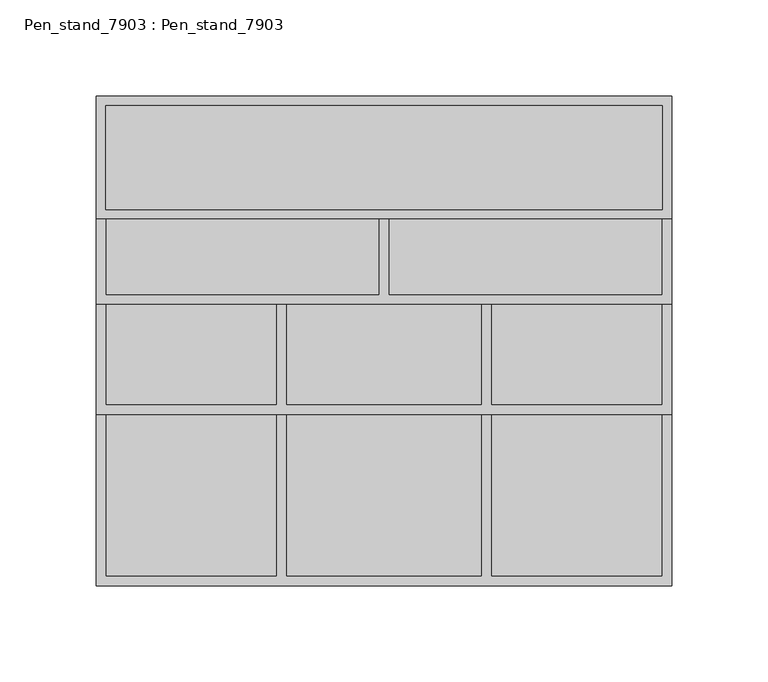
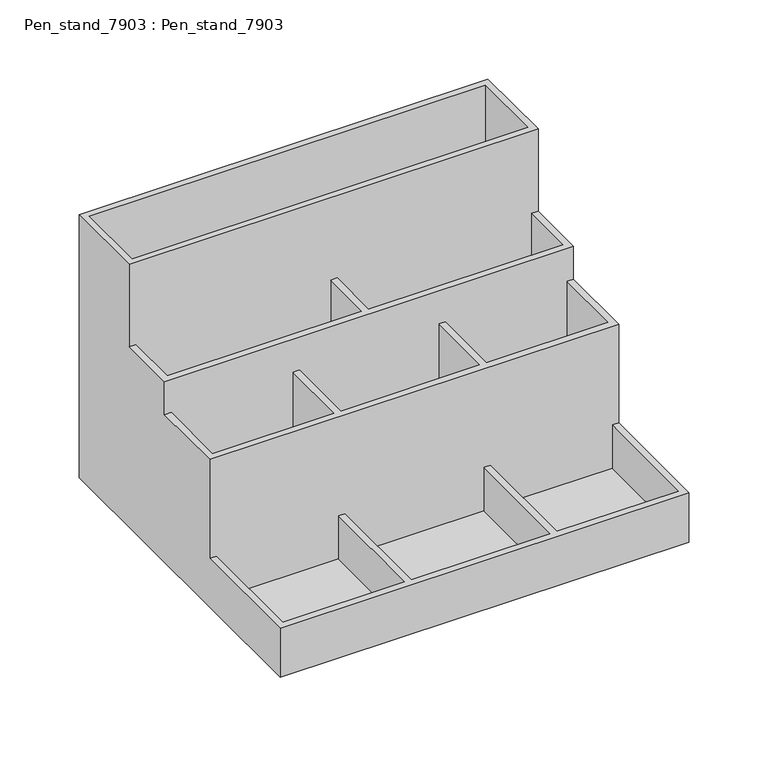
"""IFC4 building model written with IfcOpenShell, lengths in millimetres: furniture geometry, Pen_stand_7903 : Pen_stand_7903."""

from ifc_helpers import new_model, si_unit, origin, place, context, project, spatial, faceted_brep, source, transform, mapped, element, save


def pen_stand_7903_pen_stand_7903_0b935208(model_context):
    return source(origin(), model_context, "Body", "Brep", [
        faceted_brep([(-149.225, -107.95, 139.7), (149.225, -107.95, 139.7), (149.225, -63.5, 139.7), (144.4625, -63.5, 139.7), (144.4625, -103.1875, 139.7), (2.38125, -103.1875, 139.7), (2.38125, -63.5, 139.7), (-2.38125, -63.5, 139.7), (-2.38125, -103.1875, 139.7), (-144.4625, -103.1875, 139.7), (-144.4625, -63.5, 139.7), (-149.225, -63.5, 139.7), (-149.225, 0.0, 0.0), (149.225, 0.0, 0.0), (149.225, -254.0, 0.0), (-149.225, -254.0, 0.0), (-149.225, -107.95, 114.3), (-144.4625, -107.95, 114.3), (-144.4625, -107.95, 4.7625), (-55.5625, -107.95, 4.7625), (-55.5625, -107.95, 114.3), (-50.8, -107.95, 114.3), (-50.8, -107.95, 4.7625), (50.8, -107.95, 4.7625), (50.8, -107.95, 114.3), (55.5625, -107.95, 114.3), (55.5625, -107.95, 4.7625), (144.4625, -107.95, 4.7625), (144.4625, -107.95, 114.3), (149.225, -107.95, 114.3), (149.225, -165.1, 114.3), (149.225, -165.1, 38.1), (149.225, -254.0, 38.1), (149.225, 0.0, 203.2), (149.225, -63.5, 203.2), (144.4625, -63.5, 4.7625), (144.4625, -103.1875, 4.7625), (2.38125, -103.1875, 4.7625), (-2.38125, -103.1875, 4.7625), (-144.4625, -103.1875, 4.7625), (-144.4625, -63.5, 4.7625), (-149.225, -63.5, 203.2), (-149.225, 0.0, 203.2), (-149.225, -254.0, 38.1), (-149.225, -165.1, 38.1), (-149.225, -165.1, 114.3), (-144.4625, -58.7375, 203.2), (-144.4625, -4.7625, 203.2), (144.4625, -4.7625, 203.2), (144.4625, -58.7375, 203.2), (-2.38125, -63.5, 4.7625), (2.38125, -63.5, 4.7625), (-144.4625, -58.7375, 4.7625), (-144.4625, -4.7625, 4.7625), (144.4625, -4.7625, 4.7625), (144.4625, -58.7375, 4.7625), (144.4625, -160.3375, 114.3), (55.5625, -160.3375, 114.3), (50.8, -160.3375, 114.3), (-50.8, -160.3375, 114.3), (-55.5625, -160.3375, 114.3), (-144.4625, -160.3375, 114.3), (-144.4625, -165.1, 38.1), (-144.4625, -165.1, 4.7625), (-55.5625, -165.1, 4.7625), (-55.5625, -165.1, 38.1), (-50.8, -165.1, 38.1), (-50.8, -165.1, 4.7625), (50.8, -165.1, 4.7625), (50.8, -165.1, 38.1), (55.5625, -165.1, 38.1), (55.5625, -165.1, 4.7625), (144.4625, -165.1, 4.7625), (144.4625, -165.1, 38.1), (144.4625, -160.3375, 4.7625), (55.5625, -160.3375, 4.7625), (50.8, -160.3375, 4.7625), (-50.8, -160.3375, 4.7625), (-55.5625, -160.3375, 4.7625), (-144.4625, -160.3375, 4.7625), (144.4625, -249.2375, 38.1), (55.5625, -249.2375, 38.1), (50.8, -249.2375, 38.1), (-50.8, -249.2375, 38.1), (-55.5625, -249.2375, 38.1), (-144.4625, -249.2375, 38.1), (144.4625, -249.2375, 4.7625), (55.5625, -249.2375, 4.7625), (50.8, -249.2375, 4.7625), (-50.8, -249.2375, 4.7625), (-55.5625, -249.2375, 4.7625), (-144.4625, -249.2375, 4.7625)], [[[0, 1, 2, 3, 4, 5, 6, 7, 8, 9, 10, 11]], [[12, 13, 14, 15]], [[1, 0, 16, 17, 18, 19, 20, 21, 22, 23, 24, 25, 26, 27, 28, 29]], [[2, 1, 29, 30, 31, 32, 14, 13, 33, 34]], [[4, 3, 35, 36]], [[5, 4, 36, 37]], [[9, 8, 38, 39]], [[10, 9, 39, 40]], [[0, 11, 41, 42, 12, 15, 43, 44, 45, 16]], [[33, 42, 41, 34], [46, 47, 48, 49]], [[42, 33, 13, 12]], [[34, 41, 11, 10, 40, 50, 7, 6, 51, 35, 3, 2]], [[47, 46, 52, 53]], [[48, 47, 53, 54]], [[49, 48, 54, 55]], [[46, 49, 55, 52]], [[6, 5, 37, 51]], [[8, 7, 50, 38]], [[45, 30, 29, 28, 56, 57, 25, 24, 58, 59, 21, 20, 60, 61, 17, 16]], [[30, 45, 44, 62, 63, 64, 65, 66, 67, 68, 69, 70, 71, 72, 73, 31]], [[56, 28, 27, 74]], [[57, 56, 74, 75]], [[59, 58, 76, 77]], [[61, 60, 78, 79]], [[17, 61, 79, 18]], [[21, 59, 77, 22]], [[60, 20, 19, 78]], [[58, 24, 23, 76]], [[25, 57, 75, 26]], [[43, 32, 31, 73, 80, 81, 70, 69, 82, 83, 66, 65, 84, 85, 62, 44]], [[32, 43, 15, 14]], [[80, 73, 72, 86]], [[81, 80, 86, 87]], [[83, 82, 88, 89]], [[85, 84, 90, 91]], [[62, 85, 91, 63]], [[66, 83, 89, 67]], [[84, 65, 64, 90]], [[82, 69, 68, 88]], [[70, 81, 87, 71]], [[64, 63, 91, 90]], [[68, 67, 89, 88]], [[72, 71, 87, 86]], [[19, 18, 79, 78]], [[23, 22, 77, 76]], [[27, 26, 75, 74]], [[36, 35, 51, 37]], [[39, 38, 50, 40]], [[53, 52, 55, 54]]]),
    ])


if __name__ == "__main__":
    model = new_model("IFC4")
    model_context = context("Model", 3, world=origin())
    ifc_project = project(units=[si_unit("LENGTHUNIT", "METRE", prefix="MILLI")], contexts=[model_context])
    site = spatial("IfcSite", under=ifc_project)
    building = spatial("IfcBuilding", under=site)
    placement = place(None, origin())
    pen_stand_7903_pen_stand_7903_shape = pen_stand_7903_pen_stand_7903_0b935208(model_context)
    element("IfcFurniture", 1, ObjectType="Pen_stand_7903 : Pen_stand_7903", at=placement, inside=building, context=model_context, shape_type="MappedRepresentation", body=[
        mapped(pen_stand_7903_pen_stand_7903_shape, transform((0.0, 0.0, 0.0), x_axis=(1.0, 0.0, 0.0), y_axis=(0.0, 1.0, 0.0), z_axis=(0.0, 0.0, 1.0))),
    ])
    save(model, "model.ifc")
